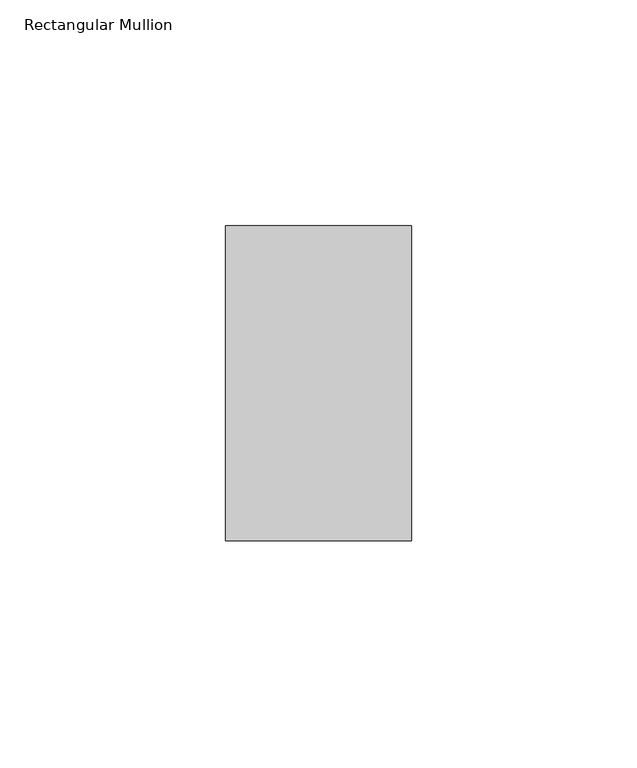
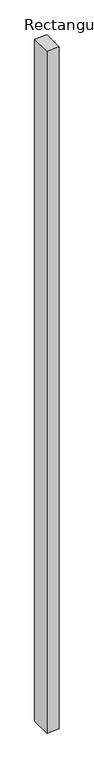
"""IFC4 building model written with IfcOpenShell, lengths in millimetres: member geometry, Rectangular Mullion."""

from ifc_helpers import new_model, si_unit, frame, origin, place, context, project, spatial, polyline, outline, extrude, source, transform, mapped, element, save


def rectangular_mullion_a11cc5ec(model_context):
    return source(origin(), model_context, "Body", "SweptSolid", [
        extrude(outline(polyline([(20.6375, 34.925), (20.6375, -34.925), (-20.6375, -34.925), (-20.6375, 34.925), (20.6375, 34.925)])), frame((0.0, 0.0, -2395.5375), z_axis=(0.0, 0.0, 1.0), x_axis=(1.0, 0.0, 0.0)), (0.0, 0.0, 1.0), 2395.5375),
    ])


if __name__ == "__main__":
    model = new_model("IFC4")
    model_context = context("Model", 3, world=origin())
    ifc_project = project(units=[si_unit("LENGTHUNIT", "METRE", prefix="MILLI")], contexts=[model_context])
    site = spatial("IfcSite", under=ifc_project)
    building = spatial("IfcBuilding", under=site)
    placement = place(None, origin())
    rectangular_mullion_shape = rectangular_mullion_a11cc5ec(model_context)
    element("IfcMember", 1, ObjectType="Rectangular Mullion", at=placement, inside=building, context=model_context, shape_type="MappedRepresentation", body=[
        mapped(rectangular_mullion_shape, transform((0.0, 0.0, 0.0), x_axis=(1.0, 0.0, 0.0), y_axis=(0.0, 1.0, 0.0), z_axis=(0.0, 0.0, 1.0))),
    ])
    save(model, "model.ifc")
